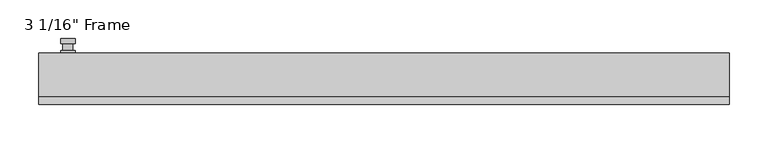
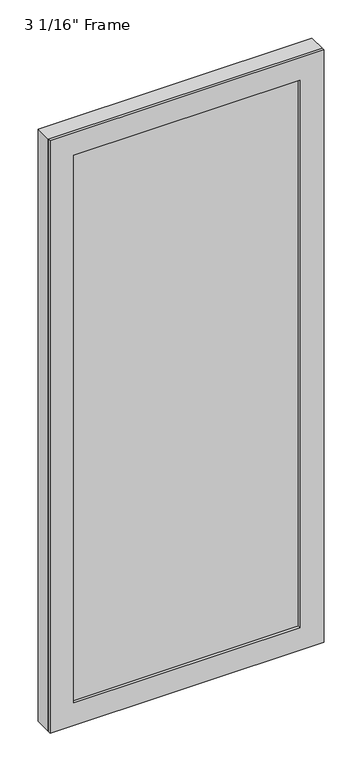
"""IFC4 building model written with IfcOpenShell, lengths in millimetres: plate geometry."""

from ifc_helpers import new_model, si_unit, frame, origin, place, context, project, spatial, polyline, circle_curve, outline, extrude, faceted_brep, source, transform, mapped, element, save
from ifc_brep_helpers import plane_surface, cylinder_surface, advanced_brep


def plate_bd221f95(model_context):
    return source(origin(), model_context, "Body", "SolidModel", [
        advanced_brep(
        [(-400.685, 33.3375, 927.1), (-419.735, 33.3375, 927.1), (-419.735, 33.3375, 901.7), (-400.685, 33.3375, 901.7), (-403.86, 46.0375, 914.4), (-403.86, 36.5125, 914.4), (-416.56, 36.5125, 914.4), (-416.56, 46.0375, 914.4), (-400.685, 46.0375, 914.4), (-419.735, 46.0375, 914.4), (-416.5559644, 46.0375, 825.2736467), (-403.8640356, 46.0375, 825.2736467), (-400.685, 52.3875, 914.4), (-403.8640356, 52.3875, 825.2736467), (-416.5559644, 52.3875, 825.2736467), (-419.735, 52.3875, 914.4), (-400.685, 36.5125, 927.1), (-400.685, 36.5125, 901.7), (-419.735, 36.5125, 901.7), (-419.735, 36.5125, 927.1)],
        [
            (0, 1, circle_curve(frame((-410.21, 33.3375, 927.1), z_axis=(0.0, -1.0, 0.0), x_axis=(-1.0, 0.0, 0.0)), 9.525)),
            (1, 2),
            (2, 3, circle_curve(frame((-410.21, 33.3375, 901.7), z_axis=(0.0, -1.0, 0.0), x_axis=(-1.0, 0.0, 0.0)), 9.525)),
            (3, 0),
            (4, 5),
            (5, 6, circle_curve(frame((-410.21, 36.5125, 914.4), z_axis=(0.0, 1.0, 0.0), x_axis=(-1.0, 0.0, 0.0)), 6.35)),
            (6, 7),
            (7, 4, circle_curve(frame((-410.21, 46.0375, 914.4), z_axis=(0.0, -1.0, 0.0), x_axis=(-1.0, 0.0, 0.0)), 6.35)),
            (6, 5, circle_curve(frame((-410.21, 36.5125, 914.4), z_axis=(0.0, 1.0, 0.0), x_axis=(-1.0, 0.0, 0.0)), 6.35)),
            (4, 7, circle_curve(frame((-410.21, 46.0375, 914.4), z_axis=(0.0, -1.0, 0.0), x_axis=(-1.0, 0.0, 0.0)), 6.35)),
            (8, 9, circle_curve(frame((-410.21, 46.0375, 914.4), z_axis=(0.0, -1.0, 0.0), x_axis=(-1.0, 0.0, 0.0)), 9.525)),
            (9, 10),
            (10, 11, circle_curve(frame((-410.21, 46.0375, 825.5), z_axis=(0.0, -1.0, 0.0), x_axis=(-1.0, 0.0, 0.0)), 6.35)),
            (11, 8),
            (12, 13),
            (13, 14, circle_curve(frame((-410.21, 52.3875, 825.5), z_axis=(0.0, 1.0, 0.0), x_axis=(-1.0, 0.0, 0.0)), 6.35)),
            (14, 15),
            (15, 12, circle_curve(frame((-410.21, 52.3875, 914.4), z_axis=(0.0, 1.0, 0.0), x_axis=(-1.0, 0.0, 0.0)), 9.525)),
            (11, 13),
            (12, 8),
            (10, 14),
            (9, 15),
            (16, 17),
            (17, 18, circle_curve(frame((-410.21, 36.5125, 901.7), z_axis=(0.0, 1.0, 0.0), x_axis=(-1.0, 0.0, 0.0)), 9.525)),
            (18, 19),
            (19, 16, circle_curve(frame((-410.21, 36.5125, 927.1), z_axis=(0.0, 1.0, 0.0), x_axis=(-1.0, 0.0, 0.0)), 9.525)),
            (3, 17),
            (16, 0),
            (2, 18),
            (1, 19),
        ],
        [
            plane_surface(frame((-416.56, 33.3375, 914.4), z_axis=(0.0, -1.0, 0.0), x_axis=(0.0, 0.0, 1.0))),
            cylinder_surface(frame((-410.21, 46.0375, 914.4), z_axis=(0.0, -1.0, 0.0), x_axis=(-1.0, 0.0, 0.0)), 6.35),
            plane_surface(frame((-400.685, 46.0375, 914.4), z_axis=(0.0, -1.0000000000000002, 0.0), x_axis=(-0.03564619348186888, 0.0, -0.9993644724975235))),
            plane_surface(frame((-400.685, 52.3875, 914.4), z_axis=(0.0, 1.0000000000000002, 0.0), x_axis=(0.03564619348186888, 0.0, 0.9993644724975235))),
            plane_surface(frame((-400.685, 46.0375, 914.4), z_axis=(0.9993644724975235, 0.0, -0.03564619348186888), x_axis=(0.0, 1.0, 0.0))),
            cylinder_surface(frame((-410.21, 52.3875, 825.5), z_axis=(0.0, -1.0, 0.0), x_axis=(-1.0, 0.0, 0.0)), 6.35),
            plane_surface(frame((-416.5559644, 46.0375, 825.2736467), z_axis=(-0.9993644724975228, 0.0, -0.03564619348188612), x_axis=(0.0, 1.0, 0.0))),
            cylinder_surface(frame((-410.21, 52.3875, 914.4), z_axis=(0.0, -1.0, 0.0), x_axis=(-1.0, 0.0, 0.0)), 9.525),
            plane_surface(frame((-400.685, 36.5125, 901.7), z_axis=(0.0, 1.0, 0.0), x_axis=(0.0, 0.0, 1.0))),
            plane_surface(frame((-400.685, 33.3375, 927.1), z_axis=(1.0, 0.0, 0.0), x_axis=(0.0, 1.0, 0.0))),
            cylinder_surface(frame((-410.21, 36.5125, 901.7), z_axis=(0.0, -1.0, 0.0), x_axis=(-1.0, 0.0, 0.0)), 9.525),
            plane_surface(frame((-419.735, 33.3375, 901.7), z_axis=(-1.0, 0.0, 0.0), x_axis=(0.0, 1.0, 0.0))),
            cylinder_surface(frame((-410.21, 36.5125, 927.1), z_axis=(0.0, -1.0, 0.0), x_axis=(-1.0, 0.0, 0.0)), 9.525),
        ],
        [
            (0, [[1, 2, 3, 4]]),
            (1, [[5, 6, 7, 8]]),
            (1, [[-7, 9, -5, 10]]),
            (2, [[11, 12, 13, 14], [-10, -8]]),
            (3, [[15, 16, 17, 18]]),
            (4, [[19, -15, 20, -14]]),
            (5, [[21, -16, -19, -13]]),
            (6, [[22, -17, -21, -12]]),
            (7, [[-20, -18, -22, -11]]),
            (8, [[23, 24, 25, 26], [-9, -6]]),
            (9, [[27, -23, 28, -4]]),
            (10, [[29, -24, -27, -3]]),
            (11, [[30, -25, -29, -2]]),
            (12, [[-28, -26, -30, -1]]),
        ],
    ),
        extrude(outline(polyline([(0.0, 448.31), (2047.875, 448.31), (2047.875, -448.31), (0.0, -448.31), (0.0, 448.31)]), holes=[polyline([(1970.0875, -370.5225), (1970.0875, 370.5225), (77.7875, 370.5225), (77.7875, -370.5225), (1970.0875, -370.5225)])]), frame((0.0, -33.3375, 0.0), z_axis=(0.0, 1.0, 0.0), x_axis=(0.0, 0.0, 1.0)), (0.0, 0.0, 1.0), 9.525),
        faceted_brep([(-448.31, 33.3375, 0.0), (448.31, 33.3375, 0.0), (448.31, -23.8125, 0.0), (-448.31, -23.8125, 0.0), (-448.31, -23.8125, 2047.875), (-448.31, 33.3375, 2047.875), (448.31, -23.8125, 2047.875), (-383.2225, -23.8125, 1982.7875), (383.2225, -23.8125, 1982.7875), (383.2225, -23.8125, 65.0875), (-383.2225, -23.8125, 65.0875), (-383.2225, 0.0, 65.0875), (-383.2225, 0.0, 1982.7875), (383.2225, 0.0, 65.0875), (383.2225, 0.0, 1982.7875), (-370.5225, 0.0, 1970.0875), (370.5225, 0.0, 1970.0875), (370.5225, 0.0, 77.7875), (-370.5225, 0.0, 77.7875), (-376.8725, 33.3375, 71.4375), (-376.8725, 33.3375, 1976.4375), (448.31, 33.3375, 2047.875), (376.8725, 33.3375, 1976.4375), (376.8725, 33.3375, 71.4375)], [[[0, 1, 2, 3]], [[3, 4, 5, 0]], [[2, 6, 4, 3], [7, 8, 9, 10]], [[7, 10, 11, 12]], [[12, 11, 13, 14], [15, 16, 17, 18]], [[15, 18, 19, 20]], [[5, 21, 1, 0], [22, 20, 19, 23]], [[4, 6, 21, 5]], [[7, 12, 14, 8]], [[15, 20, 22, 16]], [[2, 1, 21, 6]], [[13, 9, 8, 14]], [[22, 23, 17, 16]], [[19, 18, 17, 23]], [[9, 13, 11, 10]]]),
        extrude(outline(polyline([(383.2225, 0.0), (383.2225, -23.8125), (-383.2225, -23.8125), (-383.2225, 0.0), (383.2225, 0.0)])), frame((0.0, 0.0, 65.0875), z_axis=(0.0, 0.0, 1.0), x_axis=(1.0, 0.0, 0.0)), (0.0, 0.0, 1.0), 1917.7),
    ])


if __name__ == "__main__":
    model = new_model("IFC4")
    model_context = context("Model", 3, world=origin())
    ifc_project = project(units=[si_unit("LENGTHUNIT", "METRE", prefix="MILLI")], contexts=[model_context])
    site = spatial("IfcSite", under=ifc_project)
    building = spatial("IfcBuilding", under=site)
    placement = place(None, origin())
    plate_shape = plate_bd221f95(model_context)
    element("IfcPlate", 1, ObjectType="3 1/16\" Frame", at=placement, inside=building, context=model_context, shape_type="MappedRepresentation", body=[
        mapped(plate_shape, transform((0.0, 0.0, 0.0), x_axis=(1.0, 0.0, 0.0), y_axis=(0.0, 1.0, 0.0), z_axis=(0.0, 0.0, 1.0))),
    ])
    save(model, "model.ifc")
